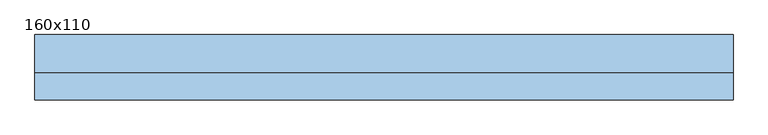
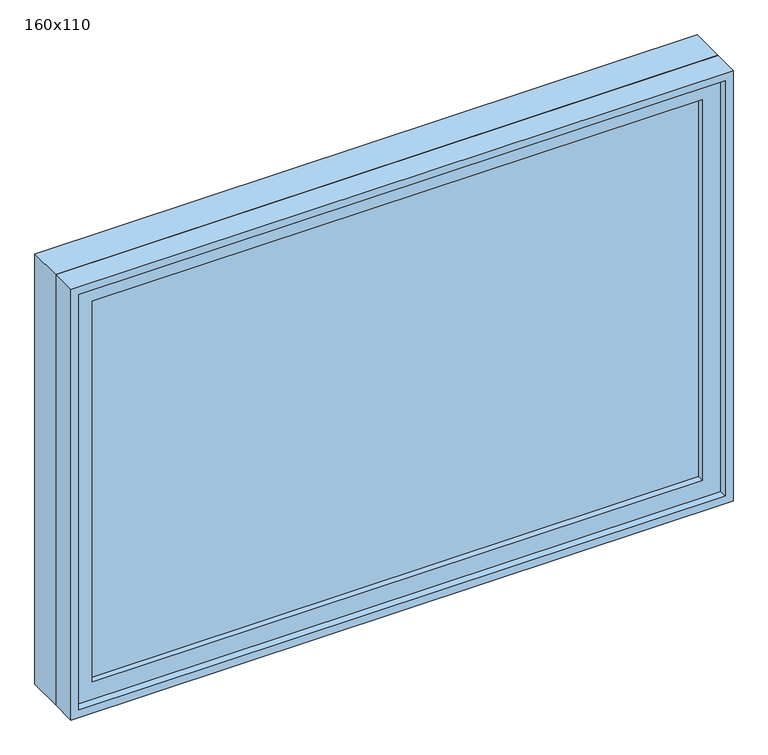
"""IFC4 building model written with IfcOpenShell, lengths in millimetres: window geometry, 160x110."""

from ifc_helpers import new_model, si_unit, frame, origin, place, context, project, spatial, polyline, outline, extrude, source, transform, mapped, element, save


def window_160x110_c4cdf06e(model_context):
    return source(origin(), model_context, "Body", "SweptSolid", [
        extrude(outline(polyline([(698.4, -27.375), (698.4, -40.075), (-774.6, -40.075), (-774.6, -27.375), (698.4, -27.375)])), frame((0.0, 0.0, 977.9), z_axis=(0.0, 0.0, 1.0), x_axis=(1.0, 0.0, 0.0)), (0.0, 0.0, 1.0), 973.0),
        extrude(outline(polyline([(1995.35, -819.05), (933.45, -819.05), (933.45, 742.85), (1995.35, 742.85), (1995.35, -819.05)]), holes=[polyline([(1950.9, -774.6), (1950.9, 698.4), (977.9, 698.4), (977.9, -774.6), (1950.9, -774.6)])]), frame((0.0, -55.95, 0.0), z_axis=(0.0, 1.0, 0.0), x_axis=(0.0, 0.0, 1.0)), (0.0, 0.0, 1.0), 44.45),
        extrude(outline(polyline([(2014.4, -838.1), (914.4, -838.1), (914.4, 761.9), (2014.4, 761.9), (2014.4, -838.1)]), holes=[polyline([(1982.65, -806.35), (1982.65, 730.15), (946.15, 730.15), (946.15, -806.35), (1982.65, -806.35)])]), frame((0.0, -11.5, 0.0), z_axis=(0.0, 1.0, 0.0), x_axis=(0.0, 0.0, 1.0)), (0.0, 0.0, 1.0), 86.5),
        extrude(outline(polyline([(2014.4, 761.9), (2014.4, -838.1), (914.4, -838.1), (914.4, 761.9), (2014.4, 761.9)]), holes=[polyline([(1995.35, 742.85), (933.45, 742.85), (933.45, -819.05), (1995.35, -819.05), (1995.35, 742.85)])]), frame((0.0, -75.0, 0.0), z_axis=(0.0, 1.0, 0.0), x_axis=(0.0, 0.0, 1.0)), (0.0, 0.0, 1.0), 63.5),
    ])


if __name__ == "__main__":
    model = new_model("IFC4")
    model_context = context("Model", 3, world=origin())
    ifc_project = project(units=[si_unit("LENGTHUNIT", "METRE", prefix="MILLI")], contexts=[model_context])
    site = spatial("IfcSite", under=ifc_project)
    building = spatial("IfcBuilding", under=site)
    placement = place(None, origin())
    window_160x110_shape = window_160x110_c4cdf06e(model_context)
    element("IfcWindow", 1, ObjectType="160x110", at=placement, inside=building, context=model_context, shape_type="MappedRepresentation", body=[
        mapped(window_160x110_shape, transform((0.0, 0.0, 0.0), x_axis=(1.0, 0.0, 0.0), y_axis=(0.0, 1.0, 0.0), z_axis=(0.0, 0.0, 1.0))),
    ])
    save(model, "model.ifc")
